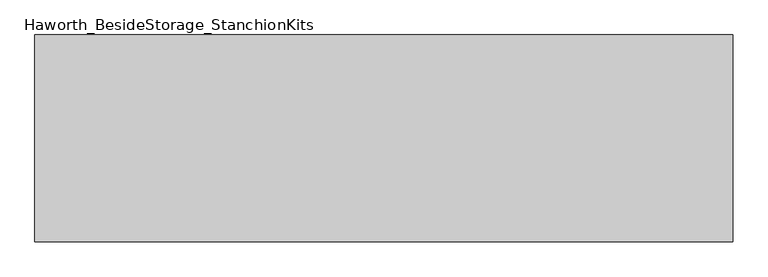
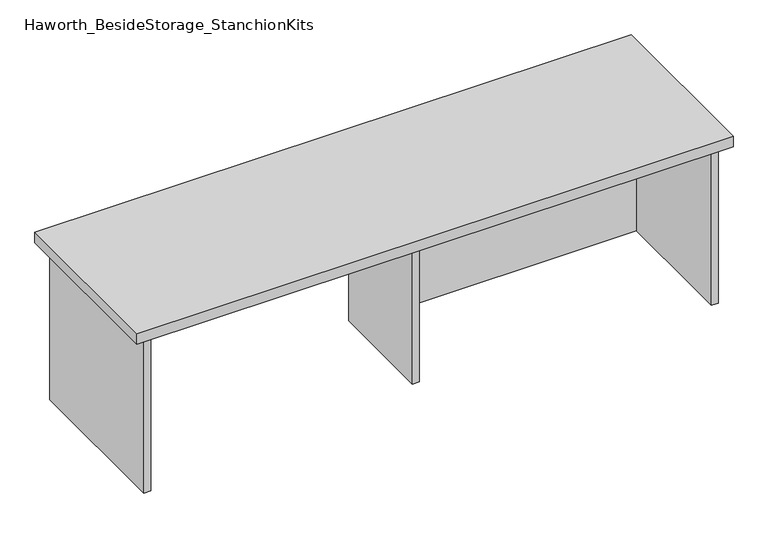
"""IFC4 building model written with IfcOpenShell, lengths in millimetres: furniture geometry, Haworth_BesideStorage_StanchionKits."""

from ifc_helpers import new_model, si_unit, frame, origin, place, context, project, spatial, polyline, outline, extrude, source, transform, mapped, element, save


def haworth_besidestorage_stanchionkits_c336e700(model_context):
    return source(origin(), model_context, "Body", "SweptSolid", [
        extrude(outline(polyline([(847.725, 0.0), (847.725, -406.4), (-523.875, -406.4), (-523.875, 0.0), (847.725, 0.0)])), frame((0.0, 0.0, 812.8), z_axis=(0.0, 0.0, 1.0), x_axis=(1.0, 0.0, 0.0)), (0.0, 0.0, 1.0), 25.4),
        extrude(outline(polyline([(169.8625, -76.2), (806.45, -76.2), (806.45, -92.075), (169.8625, -92.075), (169.8625, -76.2)])), frame((0.0, 0.0, 431.8), z_axis=(0.0, 0.0, 1.0), x_axis=(1.0, 0.0, 0.0)), (0.0, 0.0, 1.0), 381.0),
        extrude(outline(polyline([(169.8625, -330.2), (153.9875, -330.2), (153.9875, -76.2), (169.8625, -76.2), (169.8625, -330.2)])), frame((0.0, 0.0, 431.8), z_axis=(0.0, 0.0, 1.0), x_axis=(1.0, 0.0, 0.0)), (0.0, 0.0, 1.0), 381.0),
        extrude(outline(polyline([(822.325, -390.525), (806.45, -390.525), (806.45, -15.875), (822.325, -15.875), (822.325, -390.525)])), frame((0.0, 0.0, 431.8), z_axis=(0.0, 0.0, 1.0), x_axis=(1.0, 0.0, 0.0)), (0.0, 0.0, 1.0), 381.0),
        extrude(outline(polyline([(-482.6, -390.525), (-498.475, -390.525), (-498.475, -15.875), (-482.6, -15.875), (-482.6, -390.525)])), frame((0.0, 0.0, 431.8), z_axis=(0.0, 0.0, 1.0), x_axis=(1.0, 0.0, 0.0)), (0.0, 0.0, 1.0), 381.0),
    ])


if __name__ == "__main__":
    model = new_model("IFC4")
    model_context = context("Model", 3, world=origin())
    ifc_project = project(units=[si_unit("LENGTHUNIT", "METRE", prefix="MILLI")], contexts=[model_context])
    site = spatial("IfcSite", under=ifc_project)
    building = spatial("IfcBuilding", under=site)
    placement = place(None, origin())
    haworth_besidestorage_stanchionkits_shape = haworth_besidestorage_stanchionkits_c336e700(model_context)
    element("IfcFurniture", 1, ObjectType="Haworth_BesideStorage_StanchionKits", at=placement, inside=building, context=model_context, shape_type="MappedRepresentation", body=[
        mapped(haworth_besidestorage_stanchionkits_shape, transform((0.0, 0.0, 0.0), x_axis=(1.0, 0.0, 0.0), y_axis=(0.0, 1.0, 0.0), z_axis=(0.0, 0.0, 1.0))),
    ])
    save(model, "model.ifc")
